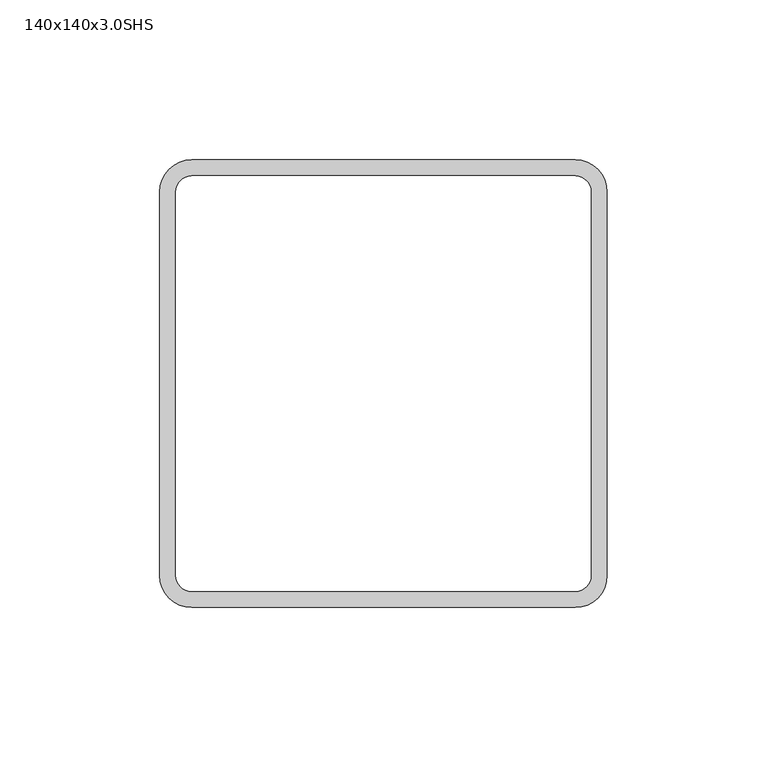
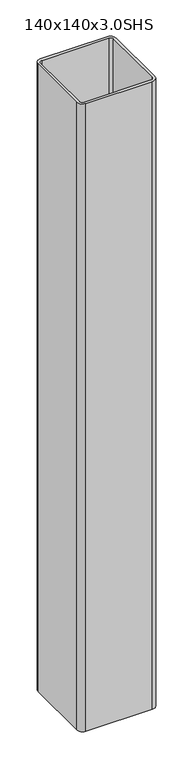
"""IFC4 building model written with IfcOpenShell, lengths in millimetres: column geometry, 140x140x3.0SHS."""

from ifc_helpers import new_model, si_unit, point, frame, frame_2d, origin, place, context, project, spatial, polyline, circle_curve, trimmed, segment, composite_curve, outline, extrude, source, transform, mapped, element, save


def column_140x140x3_0shs_3a564b51(model_context):
    return source(origin(), model_context, "Body", "SweptSolid", [
        extrude(outline(composite_curve([segment(trimmed(circle_curve(frame_2d((60.0, 60.0)), 10.0), [point((60.0, 70.0))], [point((70.0, 60.0))], False, "CARTESIAN"), True, "CONTINUOUS"), segment(polyline([(70.0, 60.0), (70.0, -60.0)]), True, "CONTINUOUS"), segment(trimmed(circle_curve(frame_2d((60.0, -60.0)), 10.0), [point((70.0, -60.0))], [point((60.0, -70.0))], False, "CARTESIAN"), True, "CONTINUOUS"), segment(polyline([(60.0, -70.0), (-60.0, -70.0)]), True, "CONTINUOUS"), segment(trimmed(circle_curve(frame_2d((-60.0, -60.0)), 10.0), [point((-60.0, -70.0))], [point((-70.0, -60.0))], False, "CARTESIAN"), True, "CONTINUOUS"), segment(polyline([(-70.0, -60.0), (-70.0, 60.0)]), True, "CONTINUOUS"), segment(trimmed(circle_curve(frame_2d((-60.0, 60.0)), 10.0), [point((-70.0, 60.0))], [point((-60.0, 70.0))], False, "CARTESIAN"), True, "CONTINUOUS"), segment(polyline([(-60.0, 70.0), (60.0, 70.0)]), True, "CONTINUOUS")], self_intersect=False), holes=[composite_curve([segment(polyline([(60.0, 65.0), (-60.0, 65.0)]), True, "CONTINUOUS"), segment(trimmed(circle_curve(frame_2d((-60.0, 60.0)), 5.0), [point((-60.0, 65.0))], [point((-65.0, 60.0))], True, "CARTESIAN"), True, "CONTINUOUS"), segment(polyline([(-65.0, 60.0), (-65.0, -60.0)]), True, "CONTINUOUS"), segment(trimmed(circle_curve(frame_2d((-60.0, -60.0)), 5.0), [point((-65.0, -60.0))], [point((-60.0, -65.0))], True, "CARTESIAN"), True, "CONTINUOUS"), segment(polyline([(-60.0, -65.0), (60.0, -65.0)]), True, "CONTINUOUS"), segment(trimmed(circle_curve(frame_2d((60.0, -60.0)), 5.0), [point((60.0, -65.0))], [point((65.0, -60.0))], True, "CARTESIAN"), True, "CONTINUOUS"), segment(polyline([(65.0, -60.0), (65.0, 60.0)]), True, "CONTINUOUS"), segment(trimmed(circle_curve(frame_2d((60.0, 60.0)), 5.0), [point((65.0, 60.0))], [point((60.0, 65.0))], True, "CARTESIAN"), True, "CONTINUOUS")], self_intersect=False)]), frame((0.0, 0.0, 10.0), z_axis=(0.0, 0.0, 1.0), x_axis=(1.0, 0.0, 0.0)), (0.0, 0.0, 1.0), 1190.0),
    ])


if __name__ == "__main__":
    model = new_model("IFC4")
    model_context = context("Model", 3, world=origin())
    ifc_project = project(units=[si_unit("LENGTHUNIT", "METRE", prefix="MILLI")], contexts=[model_context])
    site = spatial("IfcSite", under=ifc_project)
    building = spatial("IfcBuilding", under=site)
    placement = place(None, origin())
    column_140x140x3_0shs_shape = column_140x140x3_0shs_3a564b51(model_context)
    element("IfcColumn", 1, ObjectType="140x140x3.0SHS", at=placement, inside=building, context=model_context, shape_type="MappedRepresentation", body=[
        mapped(column_140x140x3_0shs_shape, transform((0.0, 0.0, 0.0), x_axis=(1.0, 0.0, 0.0), y_axis=(0.0, 1.0, 0.0), z_axis=(0.0, 0.0, 1.0))),
    ])
    save(model, "model.ifc")
